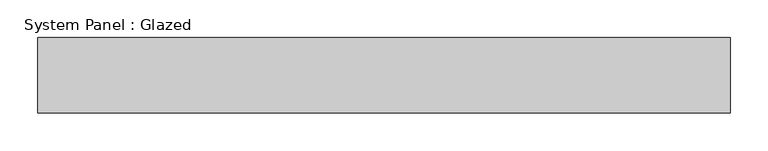
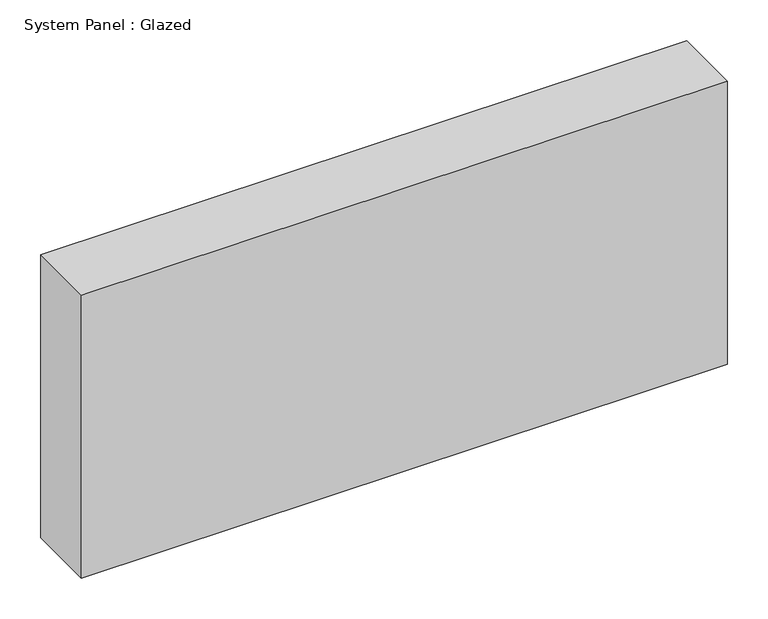
"""IFC4 building model written with IfcOpenShell, lengths in millimetres: plate geometry, System Panel : Glazed."""

from ifc_helpers import new_model, si_unit, origin, origin_with_axes, place, context, project, spatial, polyline, outline, extrude, source, transform, mapped, element, save


def system_panel_glazed_f8169f69(model_context):
    return source(origin(), model_context, "Body", "SweptSolid", [
        extrude(outline(polyline([(458.3333333, 50.0), (-458.3333333, 50.0), (-458.3333333, 150.0), (458.3333333, 150.0), (458.3333333, 50.0)])), origin_with_axes(), (0.0, 0.0, 1.0), 425.0),
    ])


if __name__ == "__main__":
    model = new_model("IFC4")
    model_context = context("Model", 3, world=origin())
    ifc_project = project(units=[si_unit("LENGTHUNIT", "METRE", prefix="MILLI")], contexts=[model_context])
    site = spatial("IfcSite", under=ifc_project)
    building = spatial("IfcBuilding", under=site)
    placement = place(None, origin())
    system_panel_glazed_shape = system_panel_glazed_f8169f69(model_context)
    element("IfcPlate", 1, ObjectType="System Panel : Glazed", at=placement, inside=building, context=model_context, shape_type="MappedRepresentation", body=[
        mapped(system_panel_glazed_shape, transform((0.0, 0.0, 0.0), x_axis=(1.0, 0.0, 0.0), y_axis=(0.0, 1.0, 0.0), z_axis=(0.0, 0.0, 1.0))),
    ])
    save(model, "model.ifc")
